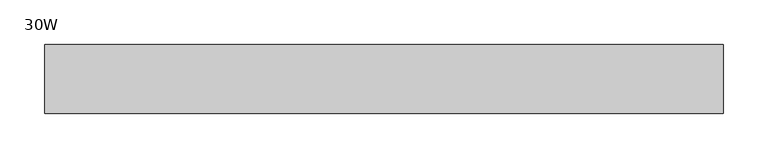
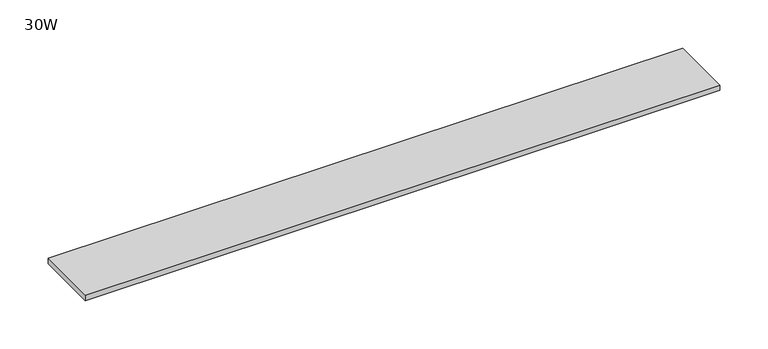
"""IFC4 building model written with IfcOpenShell, lengths in millimetres: furniture geometry, 30W."""

import ifcopenshell
import ifcopenshell.guid

model = None  # the IFC model being written
_history = None  # IfcOwnerHistory: only IFC2X3 demands one
_inside = {}  # id of a spatial element -> (the spatial element, [elements in it])
_under = {}  # id of a project, library or spatial element -> (it, [spatial elements below it])
_declared = {}  # id of a project -> (the project, [libraries it declares])
_typed = {}  # id of a type object -> (the type object, [elements of that type])
_made_of = {}  # id of a material, layer set ... -> (it, [elements and type objects made of it])


def new_model(schema):
    """Start an empty IFC model of exactly this schema.

    Asked for "IFC4X3", IfcOpenShell would pick the latest addendum, in which some entities
    have other attributes; the version numbers below select the first issue.
    IFC2X3 requires an IfcOwnerHistory on every rooted entity: one is made here for all.
    """
    global model, _history
    if schema == "IFC4X3":
        model = ifcopenshell.file(schema_version=(4, 3, 0, 0))
    else:
        model = ifcopenshell.file(schema=schema)
    _inside.clear()
    _under.clear()
    _declared.clear()
    _typed.clear()
    _made_of.clear()
    _history = None
    if model.schema == "IFC2X3":
        org = make("IfcOrganization", Name="unknown")
        user = make(
            "IfcPersonAndOrganization",
            ThePerson=make("IfcPerson", FamilyName="unknown"),
            TheOrganization=org,
        )
        app = make(
            "IfcApplication",
            ApplicationDeveloper=org,
            Version="unknown",
            ApplicationFullName="unknown",
            ApplicationIdentifier="unknown",
        )
        _history = make(
            "IfcOwnerHistory",
            OwningUser=user,
            OwningApplication=app,
            ChangeAction="ADDED",
            CreationDate=0,
        )
    return model


def make(cls, **values):
    """One entity of the class cls with the attributes given. An attribute that is None is left unset."""
    return model.create_entity(
        cls, **{name: value for name, value in values.items() if value is not None}
    )


def rooted(cls, **values):
    """An entity with a GlobalId (a new one), such as an element, a storey or a relation."""
    return make(cls, GlobalId=ifcopenshell.guid.new(), OwnerHistory=_history, **values)


def si_unit(unit_type, name, prefix=None):
    """IfcSIUnit, for example si_unit("LENGTHUNIT", "METRE", prefix="MILLI")."""
    return make("IfcSIUnit", UnitType=unit_type, Prefix=prefix, Name=name)


def assignment(units):
    """IfcUnitAssignment: the units of a project."""
    return None if units is None else make("IfcUnitAssignment", Units=units)


def point(xyz):
    """IfcCartesianPoint."""
    return None if xyz is None else make("IfcCartesianPoint", Coordinates=xyz)


def direction(xyz):
    """IfcDirection."""
    return None if xyz is None else make("IfcDirection", DirectionRatios=xyz)


def frame(location, z_axis=None, x_axis=None):
    """IfcAxis2Placement3D, a coordinate frame: its origin and axes. An axis left out is left unset."""
    return make(
        "IfcAxis2Placement3D",
        Location=point(location),
        Axis=direction(z_axis),
        RefDirection=direction(x_axis),
    )


def origin():
    """The frame at (0, 0, 0) with its axes left unset."""
    return frame((0.0, 0.0, 0.0))


def place(relative_to, where):
    """IfcLocalPlacement: puts the frame where relative to a parent placement (None: the world)."""
    return make(
        "IfcLocalPlacement", PlacementRelTo=relative_to, RelativePlacement=where
    )


def context(
    kind, dimensions, precision=None, world=None, true_north=None, identifier=None
):
    """IfcGeometricRepresentationContext, for example the 3D "Model" context."""
    return make(
        "IfcGeometricRepresentationContext",
        ContextIdentifier=identifier,
        ContextType=kind,
        CoordinateSpaceDimension=dimensions,
        Precision=precision,
        WorldCoordinateSystem=world,
        TrueNorth=true_north,
    )


def project(units=None, contexts=None):
    """IfcProject with its units and contexts."""
    return rooted(
        "IfcProject",
        Name="project",
        RepresentationContexts=contexts,
        UnitsInContext=assignment(units),
    )


def spatial(cls, under=None, at=None, **own):
    """A site, building, storey or space (cls), placed at a placement, below another one or the project."""
    s = rooted(cls, ObjectPlacement=at, **own)
    if under is not None:
        _under.setdefault(under.id(), (under, []))[1].append(s)
    return s


def polyline(points):
    """IfcPolyline through the points."""
    return make("IfcPolyline", Points=[point(p) for p in points])


def outline(outer, holes=None, kind="AREA"):
    """IfcArbitraryClosedProfileDef: a profile drawn as a closed curve; with holes, ...WithVoids."""
    if holes is None:
        return make("IfcArbitraryClosedProfileDef", ProfileType=kind, OuterCurve=outer)
    return make(
        "IfcArbitraryProfileDefWithVoids",
        ProfileType=kind,
        OuterCurve=outer,
        InnerCurves=holes,
    )


def extrude(swept, where, along, depth):
    """IfcExtrudedAreaSolid: the profile swept, set in the frame where, extruded along a direction by depth."""
    return make(
        "IfcExtrudedAreaSolid",
        SweptArea=swept,
        Position=where,
        ExtrudedDirection=direction(along),
        Depth=depth,
    )


def shape(context_of_items, identifier, shape_type, items):
    """IfcShapeRepresentation: the items that make up one representation, for example the "Body"."""
    return make(
        "IfcShapeRepresentation",
        ContextOfItems=context_of_items,
        RepresentationIdentifier=identifier,
        RepresentationType=shape_type,
        Items=items,
    )


def source(mapping_origin, context_of_items, identifier, shape_type, items):
    """IfcRepresentationMap: a shape defined once, which mapped items show again and again."""
    return make(
        "IfcRepresentationMap",
        MappingOrigin=mapping_origin,
        MappedRepresentation=shape(context_of_items, identifier, shape_type, items),
    )


def transform(
    local_origin,
    x_axis=None,
    y_axis=None,
    z_axis=None,
    scale=None,
    scale2=None,
    scale3=None,
    uniform=True,
):
    """IfcCartesianTransformationOperator3D, or its non-uniform kind. x_axis, y_axis, z_axis: its Axis1, 2, 3."""
    if uniform:
        return make(
            "IfcCartesianTransformationOperator3D",
            Axis1=direction(x_axis),
            Axis2=direction(y_axis),
            LocalOrigin=point(local_origin),
            Scale=scale,
            Axis3=direction(z_axis),
        )
    return make(
        "IfcCartesianTransformationOperator3DnonUniform",
        Axis1=direction(x_axis),
        Axis2=direction(y_axis),
        LocalOrigin=point(local_origin),
        Scale=scale,
        Axis3=direction(z_axis),
        Scale2=scale2,
        Scale3=scale3,
    )


def mapped(mapping_source, mapping_target):
    """IfcMappedItem: shows the shape of a source again, moved by a transform."""
    return make(
        "IfcMappedItem", MappingSource=mapping_source, MappingTarget=mapping_target
    )


def made_of(thing, what):
    """Note that an element or type object is made of a material, layer set ...; save() writes the relation."""
    if what is not None:
        _made_of.setdefault(what.id(), (what, []))[1].append(thing)
    return thing


def element(
    cls,
    number,
    at=None,
    inside=None,
    cuts=None,
    type_object=None,
    material=None,
    context=None,
    identifier="Body",
    shape_type=None,
    held_by="IfcProductDefinitionShape",
    body=None,
    shapes=None,
    **own,
):
    """One element of the class cls, such as IfcWall. Its Tag is "e" and its number.

    at: its placement. inside: the storey or other place that contains it. cuts: it is an
    opening in that element (IfcRelVoidsElement). A single representation is given by context,
    identifier, shape_type and body (its items); several are given by shapes. held_by: the class
    of the entity that holds the representations. save() writes the other relations.
    """
    e = rooted(cls, Tag="e%d" % number, ObjectPlacement=at, **own)
    if body is not None:
        shapes = [shape(context, identifier, shape_type, body)]
    if shapes is not None:
        e.Representation = make(held_by, Representations=shapes)
    if inside is not None:
        _inside.setdefault(inside.id(), (inside, []))[1].append(e)
    if cuts is not None:
        rooted(
            "IfcRelVoidsElement", RelatingBuildingElement=cuts, RelatedOpeningElement=e
        )
    if type_object is not None:
        _typed.setdefault(type_object.id(), (type_object, []))[1].append(e)
    return made_of(e, material)


def aggregate(whole, parts):
    """IfcRelAggregates: a whole, such as a stair, and the parts it consists of."""
    return rooted("IfcRelAggregates", RelatingObject=whole, RelatedObjects=parts)


def save(model, path):
    """Write the relations noted so far, then the file.

    IfcRelAggregates (storeys below a building ...), IfcRelContainedInSpatialStructure (elements
    in a storey), IfcRelDefinesByType, IfcRelAssociatesMaterial and IfcRelDeclares: one each for
    every whole, place, type object, material and project.
    """
    for whole, parts in _under.values():
        aggregate(whole, parts)
    for where, things in _inside.values():
        rooted(
            "IfcRelContainedInSpatialStructure",
            RelatedElements=things,
            RelatingStructure=where,
        )
    for kind, things in _typed.values():
        rooted("IfcRelDefinesByType", RelatedObjects=things, RelatingType=kind)
    for what, things in _made_of.values():
        rooted("IfcRelAssociatesMaterial", RelatedObjects=things, RelatingMaterial=what)
    for by, libraries in _declared.values():
        rooted("IfcRelDeclares", RelatingContext=by, RelatedDefinitions=libraries)
    model.write(path)


def furniture_30w_b052de77(model_context):
    return source(origin(), model_context, "Body", "SweptSolid", [
        extrude(outline(polyline([(325.01205, 38.735), (325.01205, -38.735), (-436.98795, -38.735), (-436.98795, 38.735), (325.01205, 38.735)])), frame((0.0, 0.0, 1429.766), z_axis=(0.0, 0.0, 1.0), x_axis=(1.0, 0.0, 0.0)), (0.0, 0.0, 1.0), 6.858),
    ])


if __name__ == "__main__":
    model = new_model("IFC4")
    model_context = context("Model", 3, world=origin())
    ifc_project = project(units=[si_unit("LENGTHUNIT", "METRE", prefix="MILLI")], contexts=[model_context])
    site = spatial("IfcSite", under=ifc_project)
    building = spatial("IfcBuilding", under=site)
    placement = place(None, origin())
    furniture_30w_shape = furniture_30w_b052de77(model_context)
    element("IfcFurniture", 1, ObjectType="30W", at=placement, inside=building, context=model_context, shape_type="MappedRepresentation", body=[
        mapped(furniture_30w_shape, transform((0.0, 0.0, 0.0), x_axis=(1.0, 0.0, 0.0), y_axis=(0.0, 1.0, 0.0), z_axis=(0.0, 0.0, 1.0))),
    ])
    save(model, "model.ifc")
